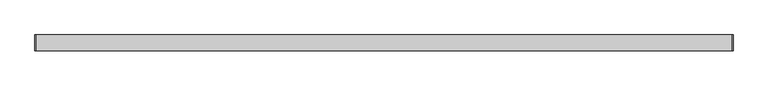
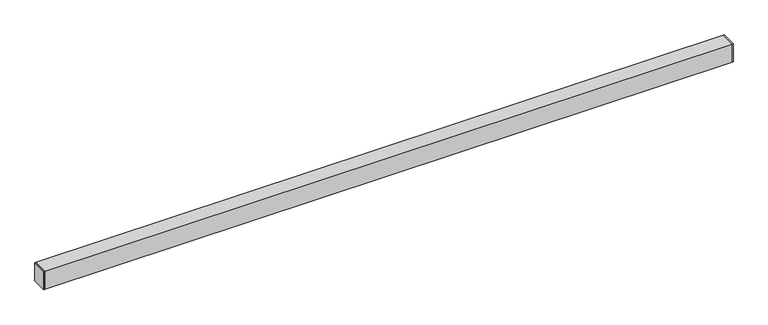
"""IFC4 building model written with IfcOpenShell, lengths in millimetres: proxy geometry."""

import ifcopenshell
import ifcopenshell.guid

model = None  # the IFC model being written
_history = None  # IfcOwnerHistory: only IFC2X3 demands one
_inside = {}  # id of a spatial element -> (the spatial element, [elements in it])
_under = {}  # id of a project, library or spatial element -> (it, [spatial elements below it])
_declared = {}  # id of a project -> (the project, [libraries it declares])
_typed = {}  # id of a type object -> (the type object, [elements of that type])
_made_of = {}  # id of a material, layer set ... -> (it, [elements and type objects made of it])


def new_model(schema):
    """Start an empty IFC model of exactly this schema.

    Asked for "IFC4X3", IfcOpenShell would pick the latest addendum, in which some entities
    have other attributes; the version numbers below select the first issue.
    IFC2X3 requires an IfcOwnerHistory on every rooted entity: one is made here for all.
    """
    global model, _history
    if schema == "IFC4X3":
        model = ifcopenshell.file(schema_version=(4, 3, 0, 0))
    else:
        model = ifcopenshell.file(schema=schema)
    _inside.clear()
    _under.clear()
    _declared.clear()
    _typed.clear()
    _made_of.clear()
    _history = None
    if model.schema == "IFC2X3":
        org = make("IfcOrganization", Name="unknown")
        user = make(
            "IfcPersonAndOrganization",
            ThePerson=make("IfcPerson", FamilyName="unknown"),
            TheOrganization=org,
        )
        app = make(
            "IfcApplication",
            ApplicationDeveloper=org,
            Version="unknown",
            ApplicationFullName="unknown",
            ApplicationIdentifier="unknown",
        )
        _history = make(
            "IfcOwnerHistory",
            OwningUser=user,
            OwningApplication=app,
            ChangeAction="ADDED",
            CreationDate=0,
        )
    return model


def make(cls, **values):
    """One entity of the class cls with the attributes given. An attribute that is None is left unset."""
    return model.create_entity(
        cls, **{name: value for name, value in values.items() if value is not None}
    )


def rooted(cls, **values):
    """An entity with a GlobalId (a new one), such as an element, a storey or a relation."""
    return make(cls, GlobalId=ifcopenshell.guid.new(), OwnerHistory=_history, **values)


def si_unit(unit_type, name, prefix=None):
    """IfcSIUnit, for example si_unit("LENGTHUNIT", "METRE", prefix="MILLI")."""
    return make("IfcSIUnit", UnitType=unit_type, Prefix=prefix, Name=name)


def assignment(units):
    """IfcUnitAssignment: the units of a project."""
    return None if units is None else make("IfcUnitAssignment", Units=units)


def point(xyz):
    """IfcCartesianPoint."""
    return None if xyz is None else make("IfcCartesianPoint", Coordinates=xyz)


def direction(xyz):
    """IfcDirection."""
    return None if xyz is None else make("IfcDirection", DirectionRatios=xyz)


def frame(location, z_axis=None, x_axis=None):
    """IfcAxis2Placement3D, a coordinate frame: its origin and axes. An axis left out is left unset."""
    return make(
        "IfcAxis2Placement3D",
        Location=point(location),
        Axis=direction(z_axis),
        RefDirection=direction(x_axis),
    )


def origin():
    """The frame at (0, 0, 0) with its axes left unset."""
    return frame((0.0, 0.0, 0.0))


def origin_with_axes():
    """The frame at (0, 0, 0) with the z axis (0, 0, 1) and the x axis (1, 0, 0) written out."""
    return frame((0.0, 0.0, 0.0), z_axis=(0.0, 0.0, 1.0), x_axis=(1.0, 0.0, 0.0))


def place(relative_to, where):
    """IfcLocalPlacement: puts the frame where relative to a parent placement (None: the world)."""
    return make(
        "IfcLocalPlacement", PlacementRelTo=relative_to, RelativePlacement=where
    )


def context(
    kind, dimensions, precision=None, world=None, true_north=None, identifier=None
):
    """IfcGeometricRepresentationContext, for example the 3D "Model" context."""
    return make(
        "IfcGeometricRepresentationContext",
        ContextIdentifier=identifier,
        ContextType=kind,
        CoordinateSpaceDimension=dimensions,
        Precision=precision,
        WorldCoordinateSystem=world,
        TrueNorth=true_north,
    )


def project(units=None, contexts=None):
    """IfcProject with its units and contexts."""
    return rooted(
        "IfcProject",
        Name="project",
        RepresentationContexts=contexts,
        UnitsInContext=assignment(units),
    )


def spatial(cls, under=None, at=None, **own):
    """A site, building, storey or space (cls), placed at a placement, below another one or the project."""
    s = rooted(cls, ObjectPlacement=at, **own)
    if under is not None:
        _under.setdefault(under.id(), (under, []))[1].append(s)
    return s


def polyline(points):
    """IfcPolyline through the points."""
    return make("IfcPolyline", Points=[point(p) for p in points])


def outline(outer, holes=None, kind="AREA"):
    """IfcArbitraryClosedProfileDef: a profile drawn as a closed curve; with holes, ...WithVoids."""
    if holes is None:
        return make("IfcArbitraryClosedProfileDef", ProfileType=kind, OuterCurve=outer)
    return make(
        "IfcArbitraryProfileDefWithVoids",
        ProfileType=kind,
        OuterCurve=outer,
        InnerCurves=holes,
    )


def extrude(swept, where, along, depth):
    """IfcExtrudedAreaSolid: the profile swept, set in the frame where, extruded along a direction by depth."""
    return make(
        "IfcExtrudedAreaSolid",
        SweptArea=swept,
        Position=where,
        ExtrudedDirection=direction(along),
        Depth=depth,
    )


def shape(context_of_items, identifier, shape_type, items):
    """IfcShapeRepresentation: the items that make up one representation, for example the "Body"."""
    return make(
        "IfcShapeRepresentation",
        ContextOfItems=context_of_items,
        RepresentationIdentifier=identifier,
        RepresentationType=shape_type,
        Items=items,
    )


def source(mapping_origin, context_of_items, identifier, shape_type, items):
    """IfcRepresentationMap: a shape defined once, which mapped items show again and again."""
    return make(
        "IfcRepresentationMap",
        MappingOrigin=mapping_origin,
        MappedRepresentation=shape(context_of_items, identifier, shape_type, items),
    )


def transform(
    local_origin,
    x_axis=None,
    y_axis=None,
    z_axis=None,
    scale=None,
    scale2=None,
    scale3=None,
    uniform=True,
):
    """IfcCartesianTransformationOperator3D, or its non-uniform kind. x_axis, y_axis, z_axis: its Axis1, 2, 3."""
    if uniform:
        return make(
            "IfcCartesianTransformationOperator3D",
            Axis1=direction(x_axis),
            Axis2=direction(y_axis),
            LocalOrigin=point(local_origin),
            Scale=scale,
            Axis3=direction(z_axis),
        )
    return make(
        "IfcCartesianTransformationOperator3DnonUniform",
        Axis1=direction(x_axis),
        Axis2=direction(y_axis),
        LocalOrigin=point(local_origin),
        Scale=scale,
        Axis3=direction(z_axis),
        Scale2=scale2,
        Scale3=scale3,
    )


def mapped(mapping_source, mapping_target):
    """IfcMappedItem: shows the shape of a source again, moved by a transform."""
    return make(
        "IfcMappedItem", MappingSource=mapping_source, MappingTarget=mapping_target
    )


def made_of(thing, what):
    """Note that an element or type object is made of a material, layer set ...; save() writes the relation."""
    if what is not None:
        _made_of.setdefault(what.id(), (what, []))[1].append(thing)
    return thing


def element(
    cls,
    number,
    at=None,
    inside=None,
    cuts=None,
    type_object=None,
    material=None,
    context=None,
    identifier="Body",
    shape_type=None,
    held_by="IfcProductDefinitionShape",
    body=None,
    shapes=None,
    **own,
):
    """One element of the class cls, such as IfcWall. Its Tag is "e" and its number.

    at: its placement. inside: the storey or other place that contains it. cuts: it is an
    opening in that element (IfcRelVoidsElement). A single representation is given by context,
    identifier, shape_type and body (its items); several are given by shapes. held_by: the class
    of the entity that holds the representations. save() writes the other relations.
    """
    e = rooted(cls, Tag="e%d" % number, ObjectPlacement=at, **own)
    if body is not None:
        shapes = [shape(context, identifier, shape_type, body)]
    if shapes is not None:
        e.Representation = make(held_by, Representations=shapes)
    if inside is not None:
        _inside.setdefault(inside.id(), (inside, []))[1].append(e)
    if cuts is not None:
        rooted(
            "IfcRelVoidsElement", RelatingBuildingElement=cuts, RelatedOpeningElement=e
        )
    if type_object is not None:
        _typed.setdefault(type_object.id(), (type_object, []))[1].append(e)
    return made_of(e, material)


def aggregate(whole, parts):
    """IfcRelAggregates: a whole, such as a stair, and the parts it consists of."""
    return rooted("IfcRelAggregates", RelatingObject=whole, RelatedObjects=parts)


def save(model, path):
    """Write the relations noted so far, then the file.

    IfcRelAggregates (storeys below a building ...), IfcRelContainedInSpatialStructure (elements
    in a storey), IfcRelDefinesByType, IfcRelAssociatesMaterial and IfcRelDeclares: one each for
    every whole, place, type object, material and project.
    """
    for whole, parts in _under.values():
        aggregate(whole, parts)
    for where, things in _inside.values():
        rooted(
            "IfcRelContainedInSpatialStructure",
            RelatedElements=things,
            RelatingStructure=where,
        )
    for kind, things in _typed.values():
        rooted("IfcRelDefinesByType", RelatedObjects=things, RelatingType=kind)
    for what, things in _made_of.values():
        rooted("IfcRelAssociatesMaterial", RelatedObjects=things, RelatingMaterial=what)
    for by, libraries in _declared.values():
        rooted("IfcRelDeclares", RelatingContext=by, RelatedDefinitions=libraries)
    model.write(path)


def generic_models_854b7880(model_context):
    return source(origin(), model_context, "Body", "SweptSolid", [
        extrude(outline(polyline([(0.0, -20.64), (0.0, 20.64), (1.651, 20.64), (1.651, -20.64), (0.0, -20.64)])), origin_with_axes(), (0.0, 0.0, 1.0), 50.8),
        extrude(outline(polyline([(1828.8, -20.64), (1827.149, -20.64), (1827.149, 20.64), (1828.8, 20.64), (1828.8, -20.64)])), origin_with_axes(), (0.0, 0.0, 1.0), 50.8),
        extrude(outline(polyline([(-20.64, 0.0), (-20.64, 50.8), (20.64, 50.8), (20.64, 0.0), (-20.64, 0.0)]), holes=[polyline([(18.99, 1.95), (18.99, 48.85), (-18.99, 48.85), (-18.99, 1.95), (18.99, 1.95)])]), frame((1.651, 0.0, 0.0), z_axis=(1.0, 0.0, 0.0), x_axis=(0.0, 1.0, 0.0)), (0.0, 0.0, 1.0), 1825.498),
    ])


if __name__ == "__main__":
    model = new_model("IFC4")
    model_context = context("Model", 3, world=origin())
    ifc_project = project(units=[si_unit("LENGTHUNIT", "METRE", prefix="MILLI")], contexts=[model_context])
    site = spatial("IfcSite", under=ifc_project)
    building = spatial("IfcBuilding", under=site)
    placement = place(None, origin())
    generic_models_shape = generic_models_854b7880(model_context)
    element("IfcBuildingElementProxy", 1, Name="Generic Models", at=placement, inside=building, context=model_context, shape_type="MappedRepresentation", body=[
        mapped(generic_models_shape, transform((0.0, 0.0, 0.0), x_axis=(1.0, 0.0, 0.0), y_axis=(0.0, 1.0, 0.0), z_axis=(0.0, 0.0, 1.0))),
    ])
    save(model, "model.ifc")
